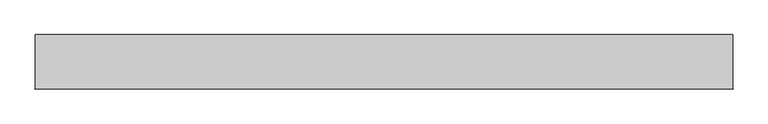
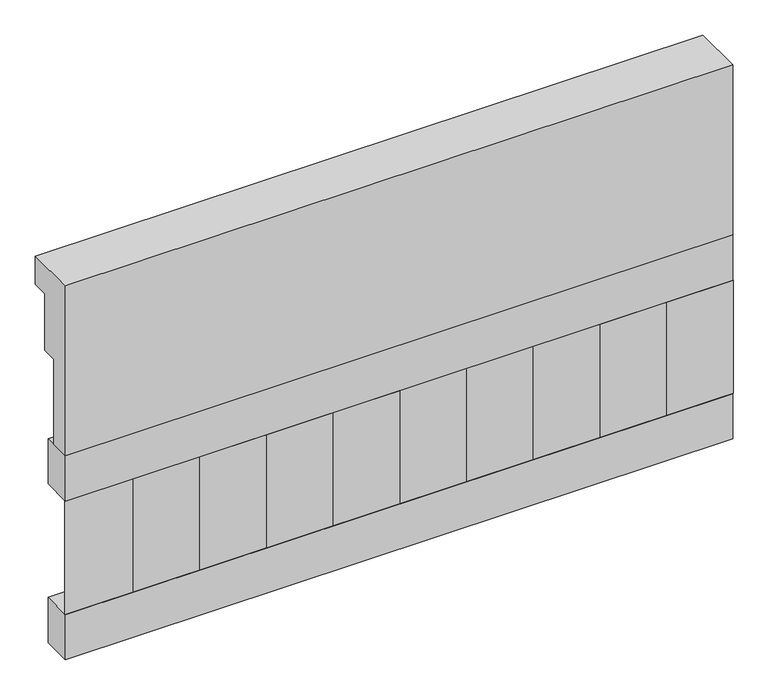
"""IFC4 building model written with IfcOpenShell, lengths in millimetres: railing geometry."""

from ifc_helpers import new_model, si_unit, frame, origin, place, context, project, spatial, polyline, outline, extrude, source, transform, mapped, element, save


def railing_18df0550(model_context):
    return source(origin(), model_context, "Body", "SweptSolid", [
        extrude(outline(polyline([(903.1079487, 18500.0), (1033.1079487, 18500.0), (1033.1079487, 18425.0), (993.1079487, 18425.0), (993.1079487, 18275.0), (953.1079487, 18275.0), (953.1079487, 18050.0), (903.1079487, 18050.0), (903.1079487, 18500.0)])), frame((-5539.9887159, 0.0, 0.0), z_axis=(1.0, 0.0, 0.0), x_axis=(0.0, 1.0, 0.0)), (0.0, 0.0, 1.0), 1670.0),
        extrude(outline(polyline([(-3869.9887159, 978.1079487), (-3869.9887159, 903.1079487), (-5539.9887159, 903.1079487), (-5539.9887159, 978.1079487), (-3869.9887159, 978.1079487)])), frame((0.0, 0.0, 17930.0), z_axis=(0.0, 0.0, 1.0), x_axis=(1.0, 0.0, 0.0)), (0.0, 0.0, 1.0), 120.0),
        extrude(outline(polyline([(-3869.9887159, 978.1079487), (-3869.9887159, 903.1079487), (-5539.9887159, 903.1079487), (-5539.9887159, 978.1079487), (-3869.9887159, 978.1079487)])), frame((0.0, 0.0, 17510.0), z_axis=(0.0, 0.0, 1.0), x_axis=(1.0, 0.0, 0.0)), (0.0, 0.0, 1.0), 120.0),
        extrude(outline(polyline([(-5456.4887159, 987.9607624), (-5371.6359022, 903.1079487), (-5541.3415296, 903.1079487), (-5456.4887159, 987.9607624)])), frame((0.0, 0.0, 17630.0), z_axis=(0.0, 0.0, 1.0), x_axis=(1.0, 0.0, 0.0)), (0.0, 0.0, 1.0), 300.0),
        extrude(outline(polyline([(-5289.4887159, 987.9607624), (-5204.6359022, 903.1079487), (-5374.3415296, 903.1079487), (-5289.4887159, 987.9607624)])), frame((0.0, 0.0, 17630.0), z_axis=(0.0, 0.0, 1.0), x_axis=(1.0, 0.0, 0.0)), (0.0, 0.0, 1.0), 300.0),
        extrude(outline(polyline([(-5122.4887159, 987.9607624), (-5037.6359022, 903.1079487), (-5207.3415296, 903.1079487), (-5122.4887159, 987.9607624)])), frame((0.0, 0.0, 17630.0), z_axis=(0.0, 0.0, 1.0), x_axis=(1.0, 0.0, 0.0)), (0.0, 0.0, 1.0), 300.0),
        extrude(outline(polyline([(-4955.4887159, 987.9607624), (-4870.6359022, 903.1079487), (-5040.3415296, 903.1079487), (-4955.4887159, 987.9607624)])), frame((0.0, 0.0, 17630.0), z_axis=(0.0, 0.0, 1.0), x_axis=(1.0, 0.0, 0.0)), (0.0, 0.0, 1.0), 300.0),
        extrude(outline(polyline([(-4788.4887159, 987.9607624), (-4703.6359022, 903.1079487), (-4873.3415296, 903.1079487), (-4788.4887159, 987.9607624)])), frame((0.0, 0.0, 17630.0), z_axis=(0.0, 0.0, 1.0), x_axis=(1.0, 0.0, 0.0)), (0.0, 0.0, 1.0), 300.0),
        extrude(outline(polyline([(-4621.4887159, 987.9607624), (-4536.6359022, 903.1079487), (-4706.3415296, 903.1079487), (-4621.4887159, 987.9607624)])), frame((0.0, 0.0, 17630.0), z_axis=(0.0, 0.0, 1.0), x_axis=(1.0, 0.0, 0.0)), (0.0, 0.0, 1.0), 300.0),
        extrude(outline(polyline([(-4454.4887159, 987.9607624), (-4369.6359022, 903.1079487), (-4539.3415296, 903.1079487), (-4454.4887159, 987.9607624)])), frame((0.0, 0.0, 17630.0), z_axis=(0.0, 0.0, 1.0), x_axis=(1.0, 0.0, 0.0)), (0.0, 0.0, 1.0), 300.0),
        extrude(outline(polyline([(-4287.4887159, 987.9607624), (-4202.6359022, 903.1079487), (-4372.3415296, 903.1079487), (-4287.4887159, 987.9607624)])), frame((0.0, 0.0, 17630.0), z_axis=(0.0, 0.0, 1.0), x_axis=(1.0, 0.0, 0.0)), (0.0, 0.0, 1.0), 300.0),
        extrude(outline(polyline([(-4120.4887159, 987.9607624), (-4035.6359022, 903.1079487), (-4205.3415296, 903.1079487), (-4120.4887159, 987.9607624)])), frame((0.0, 0.0, 17630.0), z_axis=(0.0, 0.0, 1.0), x_axis=(1.0, 0.0, 0.0)), (0.0, 0.0, 1.0), 300.0),
        extrude(outline(polyline([(-3953.4887159, 987.9607624), (-3868.6359022, 903.1079487), (-4038.3415296, 903.1079487), (-3953.4887159, 987.9607624)])), frame((0.0, 0.0, 17630.0), z_axis=(0.0, 0.0, 1.0), x_axis=(1.0, 0.0, 0.0)), (0.0, 0.0, 1.0), 300.0),
    ])


if __name__ == "__main__":
    model = new_model("IFC4")
    model_context = context("Model", 3, world=origin())
    ifc_project = project(units=[si_unit("LENGTHUNIT", "METRE", prefix="MILLI")], contexts=[model_context])
    site = spatial("IfcSite", under=ifc_project)
    building = spatial("IfcBuilding", under=site)
    placement = place(None, origin())
    railing_shape = railing_18df0550(model_context)
    element("IfcRailing", 1, at=placement, inside=building, context=model_context, shape_type="MappedRepresentation", body=[
        mapped(railing_shape, transform((0.0, 0.0, 0.0), x_axis=(1.0, 0.0, 0.0), y_axis=(0.0, 1.0, 0.0), z_axis=(0.0, 0.0, 1.0))),
    ])
    save(model, "model.ifc")
